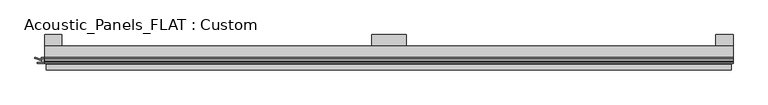
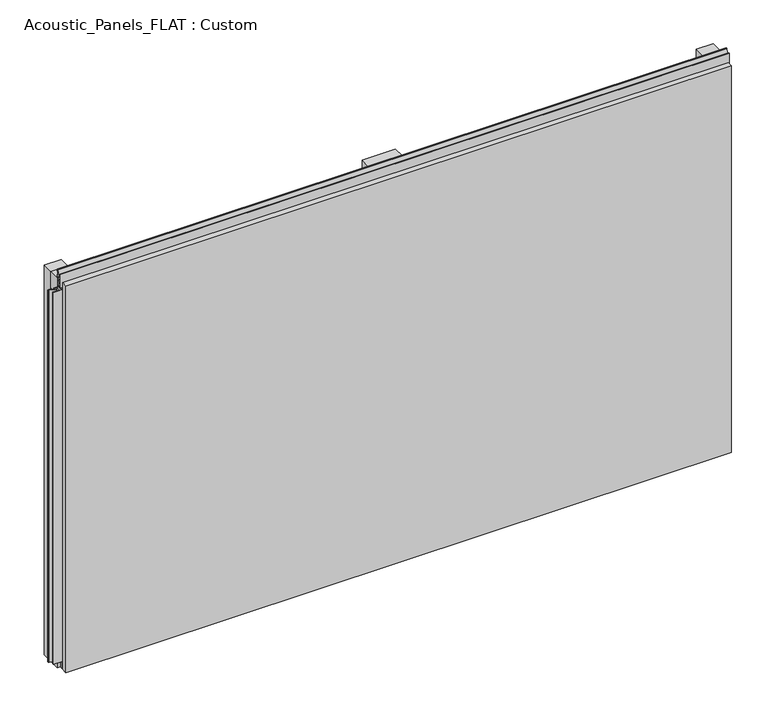
"""IFC4 building model written with IfcOpenShell, lengths in millimetres: plate geometry, Acoustic_Panels_FLAT : Custom."""

from ifc_helpers import new_model, si_unit, frame, origin, origin_with_axes, place, context, project, spatial, polyline, outline, extrude, faceted_brep, source, transform, mapped, element, save


def acoustic_panels_flat_custom_062d93cb(model_context):
    return source(origin(), model_context, "Body", "SolidModel", [
        extrude(outline(polyline([(-600.0, -40.0), (-600.0, -20.0), (600.0, -20.0), (600.0, -40.0), (-600.0, -40.0)])), frame((0.0, 0.0, 710.0), z_axis=(0.0, 0.0, 1.0), x_axis=(1.0, 0.0, 0.0)), (0.0, 0.0, 1.0), 30.0),
        extrude(outline(polyline([(-600.0, -40.0), (-600.0, -20.0), (600.0, -20.0), (600.0, -40.0), (-600.0, -40.0)])), origin_with_axes(), (0.0, 0.0, 1.0), 30.0),
        extrude(outline(polyline([(-600.0, -40.0), (-600.0, -20.0), (600.0, -20.0), (600.0, -40.0), (-600.0, -40.0)])), frame((0.0, 0.0, 340.0), z_axis=(0.0, 0.0, 1.0), x_axis=(1.0, 0.0, 0.0)), (0.0, 0.0, 1.0), 60.0),
        extrude(outline(polyline([(570.0, 0.0), (600.0, 0.0), (600.0, -20.0), (570.0, -20.0), (570.0, 0.0)])), origin_with_axes(), (0.0, 0.0, 1.0), 740.0),
        extrude(outline(polyline([(30.0, 0.0), (30.0, -20.0), (-30.0, -20.0), (-30.0, 0.0), (30.0, 0.0)])), origin_with_axes(), (0.0, 0.0, 1.0), 740.0),
        extrude(outline(polyline([(-570.0, 0.0), (-570.0, -20.0), (-600.0, -20.0), (-600.0, 0.0), (-570.0, 0.0)])), origin_with_axes(), (0.0, 0.0, 1.0), 740.0),
        extrude(outline(polyline([(593.700916, -40.0), (600.0, -40.0), (600.0, -50.1), (586.5843193, -50.1), (586.5843193, -48.7), (598.5843193, -48.7), (598.5843193, -41.4), (595.100916, -41.4), (595.100916, -45.5140545), (584.4296606, -41.4553267), (577.008452, -41.4553267), (577.008452, -40.0553267), (584.6441401, -40.0553267), (593.700916, -43.5), (593.700916, -40.0)])), frame((0.0, 0.0, 16.9558599), z_axis=(0.0, 0.0, 1.0), x_axis=(1.0, 0.0, 0.0)), (0.0, 0.0, 1.0), 706.0882802),
        extrude(outline(polyline([(-600.899084, -48.7), (-600.899084, -41.4), (-604.899084, -41.4), (-604.899084, -45.5140545), (-615.5703394, -41.4553267), (-616.9558599, -41.4553267), (-616.9558599, -40.0553267), (-615.3558599, -40.0553267), (-606.299084, -43.5), (-606.299084, -40.0), (-593.700916, -40.0), (-593.700916, -43.5), (-584.6441401, -40.0553267), (-583.0441401, -40.0553267), (-583.0441401, -41.4553267), (-584.4296606, -41.4553267), (-595.100916, -45.5140545), (-595.100916, -41.4), (-599.100916, -41.4), (-599.100916, -48.7), (-587.100916, -48.7), (-587.100916, -50.1), (-612.899084, -50.1), (-612.899084, -48.7), (-600.899084, -48.7)])), frame((0.0, 0.0, 16.9558599), z_axis=(0.0, 0.0, 1.0), x_axis=(1.0, 0.0, 0.0)), (0.0, 0.0, 1.0), 706.0882802),
        extrude(outline(polyline([(-48.7, 740.899084), (-41.4, 740.899084), (-41.4, 744.899084), (-45.5140545, 744.899084), (-41.4553267, 755.5703394), (-41.4553267, 756.9558599), (-40.0553267, 756.9558599), (-40.0553267, 755.3558599), (-43.5, 746.299084), (-40.0, 746.299084), (-40.0, 733.700916), (-43.5, 733.700916), (-40.0553267, 724.6441401), (-40.0553267, 723.0441401), (-41.4553267, 723.0441401), (-41.4553267, 724.4296606), (-45.5140545, 735.100916), (-41.4, 735.100916), (-41.4, 739.100916), (-48.7, 739.100916), (-48.7, 727.100916), (-50.1, 727.100916), (-50.1, 752.899084), (-48.7, 752.899084), (-48.7, 740.899084)])), frame((-600.0, 0.0, 0.0), z_axis=(1.0, 0.0, 0.0), x_axis=(0.0, 1.0, 0.0)), (0.0, 0.0, 1.0), 1200.0),
        faceted_brep([(597.0, -45.9, 737.0), (-597.0, -45.9, 737.0), (-597.0, -48.7, 737.0), (597.0, -48.7, 737.0), (-597.0, -61.9, 737.0), (597.0, -61.9, 737.0), (597.0, -51.9, 737.0), (-597.0, -51.9, 737.0), (-597.0, -45.9, 3.0), (597.0, -45.9, 3.0), (597.0, -48.7, 3.0), (-597.0, -48.7, 3.0), (597.0, -61.9, 3.0), (-597.0, -61.9, 3.0), (-597.0, -51.9, 3.0), (597.0, -51.9, 3.0), (585.0, -51.9, 725.0), (585.0, -51.9, 15.0), (585.0, -48.7, 15.0), (585.0, -48.7, 725.0), (-585.0, -51.9, 15.0), (-585.0, -48.7, 15.0), (-585.0, -51.9, 725.0), (-585.0, -48.7, 725.0)], [[[0, 1, 2, 3]], [[4, 5, 6, 7]], [[8, 9, 10, 11]], [[12, 13, 14, 15]], [[1, 0, 9, 8]], [[1, 8, 11, 2]], [[13, 4, 7, 14]], [[5, 4, 13, 12]], [[9, 0, 3, 10]], [[5, 12, 15, 6]], [[16, 17, 18, 19]], [[18, 17, 20, 21]], [[21, 20, 22, 23]], [[16, 19, 23, 22]], [[7, 6, 15, 14], [17, 16, 22, 20]], [[3, 2, 11, 10], [19, 18, 21, 23]]]),
    ])


if __name__ == "__main__":
    model = new_model("IFC4")
    model_context = context("Model", 3, world=origin())
    ifc_project = project(units=[si_unit("LENGTHUNIT", "METRE", prefix="MILLI")], contexts=[model_context])
    site = spatial("IfcSite", under=ifc_project)
    building = spatial("IfcBuilding", under=site)
    placement = place(None, origin())
    acoustic_panels_flat_custom_shape = acoustic_panels_flat_custom_062d93cb(model_context)
    element("IfcPlate", 1, ObjectType="Acoustic_Panels_FLAT : Custom", at=placement, inside=building, context=model_context, shape_type="MappedRepresentation", body=[
        mapped(acoustic_panels_flat_custom_shape, transform((0.0, 0.0, 0.0), x_axis=(1.0, 0.0, 0.0), y_axis=(0.0, 1.0, 0.0), z_axis=(0.0, 0.0, 1.0))),
    ])
    save(model, "model.ifc")
